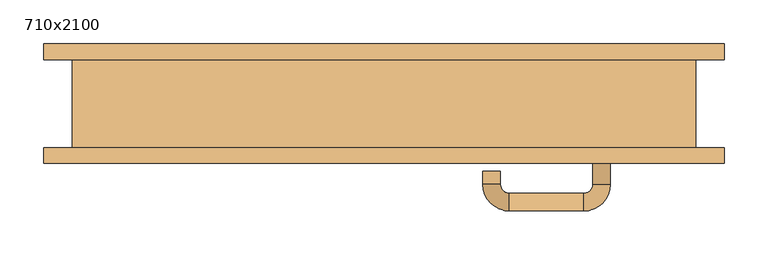
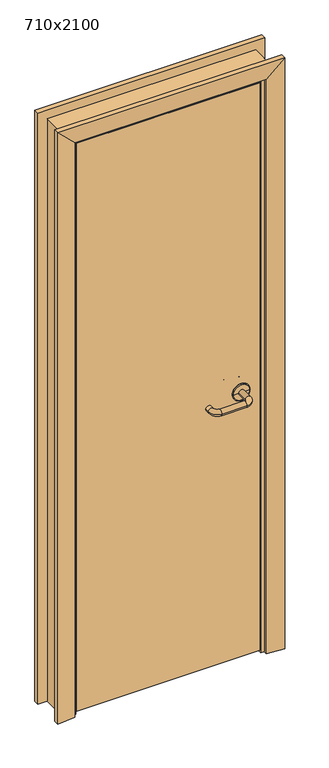
"""IFC4 building model written with IfcOpenShell, lengths in millimetres: door geometry, 710x2100."""

from ifc_helpers import new_model, si_unit, point, frame, origin, place, context, project, spatial, polyline, circle_curve, ellipse_curve, trimmed, outline, extrude, faceted_brep, source, transform, mapped, element, save
from ifc_brep_helpers import plane_surface, cylinder_surface, revolved_surface, advanced_brep


def door_710x2100_041aae27(model_context):
    return source(origin(), model_context, "Body", "SolidModel", [
        advanced_brep(
        [(257.5389275, -50.0, 965.0), (237.5389275, -50.0, 965.0), (257.5389275, -91.7730895, 965.0), (237.5389275, -91.7730895, 965.0), (227.5389275, -121.7730895, 965.0), (227.5389275, -101.7730895, 965.0), (142.5389265, -121.7730895, 965.0), (142.5389265, -101.7730895, 965.0), (112.5389265, -91.7730895, 965.0), (132.5389265, -91.7730895, 965.0), (112.5389265, -76.7730887, 965.0), (132.5389265, -76.7730887, 965.0)],
        [
            (0, 1, circle_curve(frame((247.5389275, -50.0, 965.0), z_axis=(0.0, 1.0, 0.0), x_axis=(-1.0, 0.0, 0.0)), 10.0)),
            (1, 0, circle_curve(frame((247.5389275, -50.0, 965.0), z_axis=(0.0, 1.0, 0.0), x_axis=(-1.0, 0.0, 0.0)), 10.0)),
            (0, 2),
            (2, 3, circle_curve(frame((247.5389275, -91.7730895, 965.0), z_axis=(0.0, 1.0, 0.0), x_axis=(-1.0, 0.0, 0.0)), 10.0)),
            (3, 1),
            (3, 2, circle_curve(frame((247.5389275, -91.7730895, 965.0), z_axis=(0.0, 1.0, 0.0), x_axis=(-1.0, 0.0, 0.0)), 10.0)),
            (4, 5, circle_curve(frame((227.5389275, -111.7730895, 965.0), z_axis=(1.0, 0.0, 0.0), x_axis=(0.0, 1.0, 0.0)), 10.0)),
            (5, 3, circle_curve(frame((227.5389275, -91.7730895, 965.0), z_axis=(0.0, 0.0, 1.0), x_axis=(1.0, 0.0, 0.0)), 10.0)),
            (2, 4, circle_curve(frame((227.5389275, -91.7730895, 965.0), z_axis=(0.0, 0.0, -1.0), x_axis=(1.0, 0.0, 0.0)), 30.0)),
            (5, 4, circle_curve(frame((227.5389275, -111.7730895, 965.0), z_axis=(1.0, 0.0, 0.0), x_axis=(0.0, 1.0, 0.0)), 10.0)),
            (4, 6),
            (6, 7, circle_curve(frame((142.5389265, -111.7730895, 965.0), z_axis=(1.0, 0.0, 0.0), x_axis=(0.0, 1.0, 0.0)), 10.0)),
            (7, 5),
            (7, 6, circle_curve(frame((142.5389265, -111.7730895, 965.0), z_axis=(1.0, 0.0, 0.0), x_axis=(0.0, 1.0, 0.0)), 10.0)),
            (8, 9, circle_curve(frame((122.5389265, -91.7730895, 965.0), z_axis=(0.0, -1.0, 0.0), x_axis=(1.0, 0.0, 0.0)), 10.0)),
            (9, 7, circle_curve(frame((142.5389265, -91.7730895, 965.0), z_axis=(0.0, 0.0, 1.0), x_axis=(0.0, -1.0, 0.0)), 10.0)),
            (6, 8, circle_curve(frame((142.5389265, -91.7730895, 965.0), z_axis=(0.0, 0.0, -1.0), x_axis=(0.0, -1.0, 0.0)), 30.0)),
            (9, 8, circle_curve(frame((122.5389265, -91.7730895, 965.0), z_axis=(0.0, -1.0, 0.0), x_axis=(1.0, 0.0, 0.0)), 10.0)),
            (10, 11, circle_curve(frame((122.5389265, -76.7730887, 965.0), z_axis=(0.0, 1.0, 0.0), x_axis=(1.0, 0.0, 0.0)), 10.0)),
            (11, 10, circle_curve(frame((122.5389265, -76.7730887, 965.0), z_axis=(0.0, 1.0, 0.0), x_axis=(1.0, 0.0, 0.0)), 10.0)),
            (8, 10),
            (11, 9),
        ],
        [
            plane_surface(frame((247.5389275, -50.0, 965.0), z_axis=(0.0, 1.0, 0.0), x_axis=(0.0, 0.0, 1.0))),
            cylinder_surface(frame((247.5389275, -50.0, 965.0), z_axis=(0.0, 1.0, 0.0), x_axis=(-1.0, 0.0, 0.0)), 10.0),
            revolved_surface(trimmed(ellipse_curve(frame((247.5389275, -91.7730895, 965.0), z_axis=(0.0, -1.0, 0.0), x_axis=(-1.0, 0.0, 0.0)), 10.0, 10.0), [point((237.5389275, -91.7730895, 965.0))], [point((257.5389275, -91.7730895, 965.0))], True, "CARTESIAN"), (227.5389275, -91.7730895, 965.0), (0.0, 0.0, 1.0)),
            revolved_surface(trimmed(ellipse_curve(frame((247.5389275, -91.7730895, 965.0), z_axis=(0.0, -1.0, 0.0), x_axis=(-1.0, 0.0, 0.0)), 10.0, 10.0), [point((257.5389275, -91.7730895, 965.0))], [point((237.5389275, -91.7730895, 965.0))], True, "CARTESIAN"), (227.5389275, -91.7730895, 965.0), (0.0, 0.0, 1.0)),
            cylinder_surface(frame((227.5389275, -111.7730895, 965.0), z_axis=(1.0, 0.0, 0.0), x_axis=(0.0, 1.0, 0.0)), 10.0),
            revolved_surface(trimmed(ellipse_curve(frame((142.5389265, -111.7730895, 965.0), z_axis=(-1.0, 0.0, 0.0), x_axis=(0.0, 1.0, 0.0)), 10.0, 10.0), [point((142.5389265, -101.7730895, 965.0))], [point((142.5389265, -121.7730895, 965.0))], True, "CARTESIAN"), (142.5389265, -91.7730895, 965.0), (0.0, 0.0, 1.0)),
            revolved_surface(trimmed(ellipse_curve(frame((142.5389265, -111.7730895, 965.0), z_axis=(-1.0, 0.0, 0.0), x_axis=(0.0, 1.0, 0.0)), 10.0, 10.0), [point((142.5389265, -121.7730895, 965.0))], [point((142.5389265, -101.7730895, 965.0))], True, "CARTESIAN"), (142.5389265, -91.7730895, 965.0), (0.0, 0.0, 1.0)),
            plane_surface(frame((122.5389265, -76.7730887, 965.0), z_axis=(0.0, 1.0, 0.0), x_axis=(0.0, 0.0, 1.0))),
            cylinder_surface(frame((122.5389265, -91.7730895, 965.0), z_axis=(0.0, -1.0, 0.0), x_axis=(1.0, 0.0, 0.0)), 10.0),
        ],
        [
            (0, [[1, 2]]),
            (1, [[3, 4, 5, -1]]),
            (1, [[-5, 6, -3, -2]]),
            (2, [[7, 8, -4, 9]]),
            (3, [[10, -9, -6, -8]]),
            (4, [[11, 12, 13, -7]]),
            (4, [[-13, 14, -11, -10]]),
            (5, [[15, 16, -12, 17]]),
            (6, [[18, -17, -14, -16]]),
            (7, [[19, 20]]),
            (8, [[21, -20, 22, -15]]),
            (8, [[-22, -19, -21, -18]]),
        ],
    ),
        advanced_brep(
        [(247.5389275, -50.0, 965.0), (277.5389268, -50.0, 965.0), (217.5389281, -50.0, 965.0), (277.5389268, -50.819943, 965.0), (217.5389281, -50.819943, 965.0), (274.5857807, -53.7730891, 965.0), (247.5389275, -53.7730891, 965.0), (220.4920742, -53.7730891, 965.0)],
        [
            (0, 1),
            (1, 2, circle_curve(frame((247.5389275, -50.0, 965.0), z_axis=(0.0, 1.0, 0.0), x_axis=(-1.0, 0.0, 0.0)), 29.9999993)),
            (2, 0),
            (2, 1, circle_curve(frame((247.5389275, -50.0, 965.0), z_axis=(0.0, 1.0, 0.0), x_axis=(-1.0, 0.0, 0.0)), 29.9999993)),
            (1, 3),
            (3, 4, circle_curve(frame((247.5389275, -50.819943, 965.0), z_axis=(0.0, 1.0, 0.0), x_axis=(-1.0, 0.0, 0.0)), 29.9999993)),
            (4, 2),
            (4, 3, circle_curve(frame((247.5389275, -50.819943, 965.0), z_axis=(0.0, 1.0, 0.0), x_axis=(-1.0, 0.0, 0.0)), 29.9999993)),
            (5, 6),
            (6, 7),
            (7, 5, circle_curve(frame((247.5389275, -53.7730891, 965.0), z_axis=(0.0, -1.0, 0.0), x_axis=(-1.0, 0.0, 0.0)), 27.0468532)),
            (5, 7, circle_curve(frame((247.5389275, -53.7730891, 965.0), z_axis=(0.0, -1.0, 0.0), x_axis=(-1.0, 0.0, 0.0)), 27.0468532)),
            (3, 5, circle_curve(frame((274.5857807, -50.819943, 965.0), z_axis=(0.0, 0.0, -1.0), x_axis=(-1.0, 0.0, 0.0)), 2.9531461)),
            (7, 4, circle_curve(frame((220.4920742, -50.819943, 965.0), z_axis=(0.0, 0.0, -1.0), x_axis=(1.0, 0.0, 0.0)), 2.9531461)),
        ],
        [
            plane_surface(frame((247.5389275, -50.0, 965.0), z_axis=(0.0, 1.0, 0.0), x_axis=(-1.0, 0.0, 0.0))),
            cylinder_surface(frame((247.5389275, -50.0, 965.0), z_axis=(0.0, 1.0, 0.0), x_axis=(-1.0, 0.0, 0.0)), 29.9999993),
            plane_surface(frame((247.5389275, -53.7730891, 965.0), z_axis=(0.0, -1.0, 0.0), x_axis=(-1.0, 0.0, 0.0))),
            revolved_surface(trimmed(ellipse_curve(frame((220.4920742, -50.819943, 965.0), z_axis=(0.0, 0.0, -1.0), x_axis=(1.0, 0.0, 0.0)), 2.9531461, 2.9531461), [point((220.4920742, -53.7730891, 965.0))], [point((217.5389281, -50.819943, 965.0))], True, "CARTESIAN"), (247.5389275, -50.0, 965.0), (0.0, 1.0, 0.0)),
        ],
        [
            (0, [[1, 2, 3]]),
            (0, [[-3, 4, -1]]),
            (1, [[5, 6, 7, -2]]),
            (1, [[-7, 8, -5, -4]]),
            (2, [[9, 10, 11]]),
            (2, [[-10, -9, 12]]),
            (3, [[13, -11, 14, -6]]),
            (3, [[-14, -12, -13, -8]]),
        ],
    ),
        advanced_brep(
        [(257.5389275, -10.0, 965.0), (237.5389275, -10.0, 965.0), (237.5389275, 31.7730894, 965.0), (257.5389275, 31.7730894, 965.0), (227.5389275, 41.7730894, 965.0), (227.5389275, 61.7730894, 965.0), (142.5389265, 41.7730894, 965.0), (142.5389265, 61.7730894, 965.0), (132.5389265, 31.7730894, 965.0), (112.5389265, 31.7730894, 965.0), (112.5389265, 16.7730887, 965.0), (132.5389265, 16.7730887, 965.0)],
        [
            (0, 1, circle_curve(frame((247.5389275, -10.0, 965.0), z_axis=(0.0, -1.0, 0.0), x_axis=(-1.0, 0.0, 0.0)), 10.0)),
            (1, 0, circle_curve(frame((247.5389275, -10.0, 965.0), z_axis=(0.0, -1.0, 0.0), x_axis=(-1.0, 0.0, 0.0)), 10.0)),
            (1, 2),
            (2, 3, circle_curve(frame((247.5389275, 31.7730894, 965.0), z_axis=(0.0, -1.0, 0.0), x_axis=(-1.0, 0.0, 0.0)), 10.0)),
            (3, 0),
            (3, 2, circle_curve(frame((247.5389275, 31.7730894, 965.0), z_axis=(0.0, -1.0, 0.0), x_axis=(-1.0, 0.0, 0.0)), 10.0)),
            (4, 5, circle_curve(frame((227.5389275, 51.7730894, 965.0), z_axis=(1.0, 0.0, 0.0), x_axis=(0.0, -1.0, 0.0)), 10.0)),
            (5, 3, circle_curve(frame((227.5389275, 31.7730894, 965.0), z_axis=(0.0, 0.0, -1.0), x_axis=(1.0, 0.0, 0.0)), 30.0)),
            (2, 4, circle_curve(frame((227.5389275, 31.7730894, 965.0), z_axis=(0.0, 0.0, 1.0), x_axis=(1.0, 0.0, 0.0)), 10.0)),
            (5, 4, circle_curve(frame((227.5389275, 51.7730894, 965.0), z_axis=(1.0, 0.0, 0.0), x_axis=(0.0, -1.0, 0.0)), 10.0)),
            (4, 6),
            (6, 7, circle_curve(frame((142.5389265, 51.7730894, 965.0), z_axis=(1.0, 0.0, 0.0), x_axis=(0.0, -1.0, 0.0)), 10.0)),
            (7, 5),
            (7, 6, circle_curve(frame((142.5389265, 51.7730894, 965.0), z_axis=(1.0, 0.0, 0.0), x_axis=(0.0, -1.0, 0.0)), 10.0)),
            (8, 9, circle_curve(frame((122.5389265, 31.7730894, 965.0), z_axis=(0.0, 1.0, 0.0), x_axis=(1.0, 0.0, 0.0)), 10.0)),
            (9, 7, circle_curve(frame((142.5389265, 31.7730894, 965.0), z_axis=(0.0, 0.0, -1.0), x_axis=(0.0, 1.0, 0.0)), 30.0)),
            (6, 8, circle_curve(frame((142.5389265, 31.7730894, 965.0), z_axis=(0.0, 0.0, 1.0), x_axis=(0.0, 1.0, 0.0)), 10.0)),
            (9, 8, circle_curve(frame((122.5389265, 31.7730894, 965.0), z_axis=(0.0, 1.0, 0.0), x_axis=(1.0, 0.0, 0.0)), 10.0)),
            (10, 11, circle_curve(frame((122.5389265, 16.7730887, 965.0), z_axis=(0.0, -1.0, 0.0), x_axis=(1.0, 0.0, 0.0)), 10.0)),
            (11, 10, circle_curve(frame((122.5389265, 16.7730887, 965.0), z_axis=(0.0, -1.0, 0.0), x_axis=(1.0, 0.0, 0.0)), 10.0)),
            (8, 11),
            (10, 9),
        ],
        [
            plane_surface(frame((247.5389275, -10.0, 965.0), z_axis=(0.0, -1.0, 0.0), x_axis=(0.0, 0.0, 1.0))),
            cylinder_surface(frame((247.5389275, -10.0, 965.0), z_axis=(0.0, -1.0, 0.0), x_axis=(-1.0, 0.0, 0.0)), 10.0),
            revolved_surface(trimmed(ellipse_curve(frame((247.5389275, 31.7730894, 965.0), z_axis=(0.0, 1.0, 0.0), x_axis=(-1.0, 0.0, 0.0)), 10.0, 10.0), [point((257.5389275, 31.7730894, 965.0))], [point((237.5389275, 31.7730894, 965.0))], True, "CARTESIAN"), (227.5389275, 31.7730894, 965.0), (0.0, 0.0, -1.0)),
            revolved_surface(trimmed(ellipse_curve(frame((247.5389275, 31.7730894, 965.0), z_axis=(0.0, 1.0, 0.0), x_axis=(-1.0, 0.0, 0.0)), 10.0, 10.0), [point((237.5389275, 31.7730894, 965.0))], [point((257.5389275, 31.7730894, 965.0))], True, "CARTESIAN"), (227.5389275, 31.7730894, 965.0), (0.0, 0.0, -1.0)),
            cylinder_surface(frame((227.5389275, 51.7730894, 965.0), z_axis=(1.0, 0.0, 0.0), x_axis=(0.0, -1.0, 0.0)), 10.0),
            revolved_surface(trimmed(ellipse_curve(frame((142.5389265, 51.7730894, 965.0), z_axis=(-1.0, 0.0, 0.0), x_axis=(0.0, -1.0, 0.0)), 10.0, 10.0), [point((142.5389265, 61.7730894, 965.0))], [point((142.5389265, 41.7730894, 965.0))], True, "CARTESIAN"), (142.5389265, 31.7730894, 965.0), (0.0, 0.0, -1.0)),
            revolved_surface(trimmed(ellipse_curve(frame((142.5389265, 51.7730894, 965.0), z_axis=(-1.0, 0.0, 0.0), x_axis=(0.0, -1.0, 0.0)), 10.0, 10.0), [point((142.5389265, 41.7730894, 965.0))], [point((142.5389265, 61.7730894, 965.0))], True, "CARTESIAN"), (142.5389265, 31.7730894, 965.0), (0.0, 0.0, -1.0)),
            plane_surface(frame((122.5389265, 16.7730887, 965.0), z_axis=(0.0, -1.0, 0.0), x_axis=(0.0, 0.0, 1.0))),
            cylinder_surface(frame((122.5389265, 31.7730894, 965.0), z_axis=(0.0, 1.0, 0.0), x_axis=(1.0, 0.0, 0.0)), 10.0),
        ],
        [
            (0, [[1, 2]]),
            (1, [[3, 4, 5, -2]]),
            (1, [[-5, 6, -3, -1]]),
            (2, [[7, 8, -4, 9]]),
            (3, [[10, -9, -6, -8]]),
            (4, [[11, 12, 13, -7]]),
            (4, [[-13, 14, -11, -10]]),
            (5, [[15, 16, -12, 17]]),
            (6, [[18, -17, -14, -16]]),
            (7, [[19, 20]]),
            (8, [[21, -19, 22, -15]]),
            (8, [[-22, -20, -21, -18]]),
        ],
    ),
        advanced_brep(
        [(277.5389268, -10.0, 965.0), (247.5389275, -10.0, 965.0), (217.5389281, -10.0, 965.0), (277.5389268, -9.180057, 965.0), (217.5389281, -9.180057, 965.0), (247.5389275, -6.2269109, 965.0), (274.5857807, -6.2269109, 965.0), (220.4920742, -6.2269109, 965.0)],
        [
            (0, 1),
            (1, 2),
            (2, 0, circle_curve(frame((247.5389275, -10.0, 965.0), z_axis=(0.0, -1.0, 0.0), x_axis=(-1.0, 0.0, 0.0)), 29.9999993)),
            (0, 2, circle_curve(frame((247.5389275, -10.0, 965.0), z_axis=(0.0, -1.0, 0.0), x_axis=(-1.0, 0.0, 0.0)), 29.9999993)),
            (3, 0),
            (2, 4),
            (4, 3, circle_curve(frame((247.5389275, -9.180057, 965.0), z_axis=(0.0, -1.0, 0.0), x_axis=(-1.0, 0.0, 0.0)), 29.9999993)),
            (3, 4, circle_curve(frame((247.5389275, -9.180057, 965.0), z_axis=(0.0, -1.0, 0.0), x_axis=(-1.0, 0.0, 0.0)), 29.9999993)),
            (5, 6),
            (6, 7, circle_curve(frame((247.5389275, -6.2269109, 965.0), z_axis=(0.0, 1.0, 0.0), x_axis=(-1.0, 0.0, 0.0)), 27.0468532)),
            (7, 5),
            (7, 6, circle_curve(frame((247.5389275, -6.2269109, 965.0), z_axis=(0.0, 1.0, 0.0), x_axis=(-1.0, 0.0, 0.0)), 27.0468532)),
            (6, 3, circle_curve(frame((274.5857807, -9.180057, 965.0), z_axis=(0.0, 0.0, -1.0), x_axis=(-1.0, 0.0, 0.0)), 2.9531461)),
            (4, 7, circle_curve(frame((220.4920742, -9.180057, 965.0), z_axis=(0.0, 0.0, -1.0), x_axis=(1.0, 0.0, 0.0)), 2.9531461)),
        ],
        [
            plane_surface(frame((247.5389275, -10.0, 965.0), z_axis=(0.0, -1.0, 0.0), x_axis=(-1.0, 0.0, 0.0))),
            cylinder_surface(frame((247.5389275, -10.0, 965.0), z_axis=(0.0, 1.0, 0.0), x_axis=(-1.0, 0.0, 0.0)), 29.9999993),
            plane_surface(frame((247.5389275, -6.2269109, 965.0), z_axis=(0.0, 1.0, 0.0), x_axis=(-1.0, 0.0, 0.0))),
            revolved_surface(trimmed(ellipse_curve(frame((220.4920742, -9.180057, 965.0), z_axis=(0.0, 0.0, -1.0), x_axis=(1.0, 0.0, 0.0)), 2.9531461, 2.9531461), [point((217.5389281, -9.180057, 965.0))], [point((220.4920742, -6.2269109, 965.0))], True, "CARTESIAN"), (247.5389275, -10.0, 965.0), (0.0, 1.0, 0.0)),
        ],
        [
            (0, [[1, 2, 3]]),
            (0, [[-2, -1, 4]]),
            (1, [[5, -3, 6, 7]]),
            (1, [[-6, -4, -5, 8]]),
            (2, [[9, 10, 11]]),
            (2, [[-11, 12, -9]]),
            (3, [[13, -7, 14, -10]]),
            (3, [[-14, -8, -13, -12]]),
        ],
    ),
        extrude(outline(polyline([(312.5389275, -50.0), (-312.538929, -50.0), (-312.538929, -10.0), (312.5389275, -10.0), (312.5389275, -50.0)])), frame((0.0, 0.0, 10.0), z_axis=(0.0, 0.0, 1.0), x_axis=(1.0, 0.0, 0.0)), (0.0, 0.0, 1.0), 2047.0),
        advanced_brep(
        [(355.0, 50.0, 0.0), (355.0, -50.0, 0.0), (315.0389382, -50.0, 0.0), (315.0389382, -7.9643213, 0.0), (302.938932, -7.9643213, 0.0), (302.938932, 29.9348682, 0.0), (309.0397424, 36.0356785, 0.0), (315.0389382, 36.0356785, 0.0), (315.0389382, 50.0, 0.0), (315.0389382, 50.0, 2060.0389382), (-315.0389382, 50.0, 2060.0389382), (-315.0389382, 50.0, 0.0), (-355.0, 50.0, 0.0), (-355.0, 50.0, 2100.0), (355.0, 50.0, 2100.0), (315.0389382, 36.0356785, 2060.0389382), (309.0397424, 36.0356785, 2054.0397424), (-309.0397424, 36.0356785, 2054.0397424), (-309.0397424, 36.0356785, 0.0), (-315.0389382, 36.0356785, 0.0), (-315.0389382, 36.0356785, 2060.0389382), (302.938932, 29.9348682, 2047.938932), (302.938932, -7.9643213, 2047.938932), (315.0389382, -7.9643213, 2060.0389382), (-315.0389382, -7.9643213, 2060.0389382), (-315.0389382, -7.9643213, 0.0), (-302.938932, -7.9643213, 0.0), (-302.938932, -7.9643213, 2047.938932), (315.0389382, -50.0, 2060.0389382), (355.0, -50.0, 2100.0), (-302.938932, 29.9348682, 2047.938932), (-315.0389382, -50.0, 2060.0389382), (-355.0, -50.0, 2100.0), (-302.938932, 29.9348682, 0.0), (-315.0389382, -50.0, 0.0), (-355.0, -50.0, 0.0)],
        [
            (0, 1),
            (1, 2),
            (2, 3),
            (3, 4),
            (4, 5),
            (5, 6, circle_curve(frame((309.0397424, 29.9348682, 0.0), z_axis=(0.0, 0.0, -1.0), x_axis=(-1.0, 0.0, 0.0)), 6.1008103)),
            (6, 7),
            (7, 8),
            (8, 0),
            (8, 9),
            (9, 10),
            (10, 11),
            (11, 12),
            (12, 13),
            (13, 14),
            (14, 0),
            (7, 15),
            (15, 9),
            (6, 16),
            (16, 17),
            (17, 18),
            (18, 19),
            (19, 20),
            (20, 15),
            (5, 21),
            (21, 16, ellipse_curve(frame((309.0397424, 29.9348682, 2054.0397424), z_axis=(0.7071067811865475, 0.0, -0.7071067811865475), x_axis=(-0.7071067811865474, 0.0, -0.7071067811865476)), 8.6278487, 6.1008103)),
            (4, 22),
            (22, 21),
            (3, 23),
            (23, 24),
            (24, 25),
            (25, 26),
            (26, 27),
            (27, 22),
            (2, 28),
            (28, 23),
            (14, 29),
            (29, 1),
            (20, 10),
            (21, 30),
            (30, 17, ellipse_curve(frame((-309.0397424, 29.9348682, 2054.0397424), z_axis=(0.7071067811865475, 0.0, 0.7071067811865475), x_axis=(0.7071067811865476, 0.0, -0.7071067811865474)), 8.6278487, 6.1008103)),
            (27, 30),
            (28, 31),
            (31, 24),
            (13, 32),
            (32, 29),
            (11, 19),
            (18, 33, circle_curve(frame((-309.0397424, 29.9348682, 0.0), z_axis=(0.0, 0.0, -1.0), x_axis=(1.0, 0.0, 0.0)), 6.1008103)),
            (33, 26),
            (25, 34),
            (34, 35),
            (35, 12),
            (30, 33),
            (31, 34),
            (35, 32),
        ],
        [
            plane_surface(frame((355.0, -50.0, 0.0), z_axis=(0.0, 0.0, -1.0), x_axis=(0.0, 1.0, 0.0))),
            plane_surface(frame((355.0, 50.0, 0.0), z_axis=(0.0, 1.0, 0.0), x_axis=(0.0, 0.0, 1.0))),
            plane_surface(frame((315.0389382, 50.0, 0.0), z_axis=(-1.0, 0.0, 0.0), x_axis=(0.0, 0.0, 1.0))),
            plane_surface(frame((315.0389382, 36.0356785, 0.0), z_axis=(0.0, 1.0, 0.0), x_axis=(0.0, 0.0, 1.0))),
            cylinder_surface(frame((309.0397424, 29.9348682, 0.0), z_axis=(0.0, 0.0, -1.0), x_axis=(-1.0, 0.0, 0.0)), 6.1008103),
            plane_surface(frame((302.938932, 29.9348682, 0.0), z_axis=(-1.0, 0.0, 0.0), x_axis=(0.0, 0.0, 1.0))),
            plane_surface(frame((302.938932, -7.9643213, 0.0), z_axis=(0.0, -1.0, 0.0), x_axis=(0.0, 0.0, 1.0))),
            plane_surface(frame((315.0389382, -7.9643213, 0.0), z_axis=(-1.0, 0.0, 0.0), x_axis=(0.0, 0.0, 1.0))),
            plane_surface(frame((355.0, -50.0, 0.0), z_axis=(1.0, 0.0, 0.0), x_axis=(0.0, 0.0, 1.0))),
            plane_surface(frame((315.0389382, 50.0, 2060.0389382), z_axis=(0.0, 0.0, -1.0), x_axis=(-1.0, 0.0, 0.0))),
            cylinder_surface(frame((355.0, 29.9348682, 2054.0397424), z_axis=(1.0, 0.0, 0.0), x_axis=(0.0, 0.0, -1.0)), 6.1008103),
            plane_surface(frame((302.938932, 29.9348682, 2047.938932), z_axis=(0.0, 0.0, -1.0), x_axis=(-1.0, 0.0, 0.0))),
            plane_surface(frame((315.0389382, -7.9643213, 2060.0389382), z_axis=(0.0, 0.0, -1.0), x_axis=(-1.0, 0.0, 0.0))),
            plane_surface(frame((355.0, -50.0, 2100.0), z_axis=(0.0, 0.0, 1.0), x_axis=(-1.0, 0.0, 0.0))),
            plane_surface(frame((-355.0, -50.0, 0.0), z_axis=(0.0, 0.0, -1.0), x_axis=(0.0, 1.0, 0.0))),
            plane_surface(frame((-315.0389382, 50.0, 2060.0389382), z_axis=(1.0, 0.0, 0.0), x_axis=(0.0, 0.0, -1.0))),
            cylinder_surface(frame((-309.0397424, 29.9348682, 2100.0), z_axis=(0.0, 0.0, 1.0), x_axis=(1.0, 0.0, 0.0)), 6.1008103),
            plane_surface(frame((-302.938932, 29.9348682, 2047.938932), z_axis=(1.0, 0.0, 0.0), x_axis=(0.0, 0.0, -1.0))),
            plane_surface(frame((-315.0389382, -7.9643213, 2060.0389382), z_axis=(1.0, 0.0, 0.0), x_axis=(0.0, 0.0, -1.0))),
            plane_surface(frame((-355.0, -50.0, 2100.0), z_axis=(-1.0, 0.0, 0.0), x_axis=(0.0, 0.0, -1.0))),
            plane_surface(frame((315.0389382, -50.0, 0.0), z_axis=(0.0, -1.0, 0.0), x_axis=(0.0, 0.0, 1.0))),
        ],
        [
            (0, [[1, 2, 3, 4, 5, 6, 7, 8, 9]]),
            (1, [[10, 11, 12, 13, 14, 15, 16, -9]]),
            (2, [[17, 18, -10, -8]]),
            (3, [[19, 20, 21, 22, 23, 24, -17, -7]]),
            (4, [[25, 26, -19, -6]]),
            (5, [[27, 28, -25, -5]]),
            (6, [[29, 30, 31, 32, 33, 34, -27, -4]]),
            (7, [[35, 36, -29, -3]]),
            (8, [[-16, 37, 38, -1]]),
            (9, [[-24, 39, -11, -18]]),
            (10, [[40, 41, -20, -26]]),
            (11, [[-34, 42, -40, -28]]),
            (12, [[43, 44, -30, -36]]),
            (13, [[-15, 45, 46, -37]]),
            (14, [[-13, 47, -22, 48, 49, -32, 50, 51, 52]]),
            (15, [[-23, -47, -12, -39]]),
            (16, [[53, -48, -21, -41]]),
            (17, [[-33, -49, -53, -42]]),
            (18, [[54, -50, -31, -44]]),
            (19, [[-14, -52, 55, -45]]),
            (20, [[-38, -46, -55, -51, -54, -43, -35, -2]]),
        ],
    ),
        faceted_brep([(-387.0361788, 67.9999998, 0.0), (-327.0362074, 61.9999981, 0.0), (-327.0362074, 50.0, 0.0), (-387.0361788, 50.0, 0.0), (-387.0361788, 67.9999998, 2131.499963), (-327.0362074, 61.9999981, 2071.4999916), (-327.0362074, 50.0, 2071.4999916), (327.0362074, 50.0, 2071.4999916), (327.0362074, 50.0, 0.0), (387.0361788, 50.0, 0.0), (387.0361788, 50.0, 2131.499963), (-387.0361788, 50.0, 2131.499963), (387.0361788, 67.9999998, 2131.499963), (327.0362074, 61.9999981, 2071.4999916), (387.0361788, 67.9999998, 0.0), (327.0362074, 61.9999981, 0.0)], [[[0, 1, 2, 3]], [[0, 4, 5, 1]], [[1, 5, 6, 2]], [[2, 6, 7, 8, 9, 10, 11, 3]], [[3, 11, 4, 0]], [[4, 12, 13, 5]], [[5, 13, 7, 6]], [[11, 10, 12, 4]], [[14, 9, 8, 15]], [[12, 14, 15, 13]], [[13, 15, 8, 7]], [[10, 9, 14, 12]]]),
        faceted_brep([(-387.0361788, -67.9999998, 0.0), (-387.0361788, -50.0, 0.0), (-327.0362074, -50.0, 0.0), (-327.0362074, -61.9999981, 0.0), (-327.0362074, -61.9999981, 2071.4999916), (-387.0361788, -67.9999998, 2131.499963), (-387.0361788, -50.0, 2131.499963), (387.0361788, -50.0, 2131.499963), (387.0361788, -50.0, 0.0), (327.0362074, -50.0, 0.0), (327.0362074, -50.0, 2071.4999916), (-327.0362074, -50.0, 2071.4999916), (327.0362074, -61.9999981, 2071.4999916), (387.0361788, -67.9999998, 2131.499963), (387.0361788, -67.9999998, 0.0), (327.0362074, -61.9999981, 0.0)], [[[0, 1, 2, 3]], [[3, 4, 5, 0]], [[1, 6, 7, 8, 9, 10, 11, 2]], [[0, 5, 6, 1]], [[4, 12, 13, 5]], [[5, 13, 7, 6]], [[14, 15, 9, 8]], [[12, 15, 14, 13]], [[13, 14, 8, 7]], [[2, 11, 4, 3]], [[11, 10, 12, 4]], [[10, 9, 15, 12]]]),
    ])


if __name__ == "__main__":
    model = new_model("IFC4")
    model_context = context("Model", 3, world=origin())
    ifc_project = project(units=[si_unit("LENGTHUNIT", "METRE", prefix="MILLI")], contexts=[model_context])
    site = spatial("IfcSite", under=ifc_project)
    building = spatial("IfcBuilding", under=site)
    placement = place(None, origin())
    door_710x2100_shape = door_710x2100_041aae27(model_context)
    element("IfcDoor", 1, ObjectType="710x2100", at=placement, inside=building, context=model_context, shape_type="MappedRepresentation", body=[
        mapped(door_710x2100_shape, transform((0.0, 0.0, 0.0), x_axis=(1.0, 0.0, 0.0), y_axis=(0.0, 1.0, 0.0), z_axis=(0.0, 0.0, 1.0))),
    ])
    save(model, "model.ifc")
